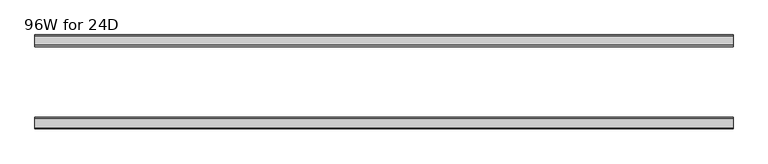
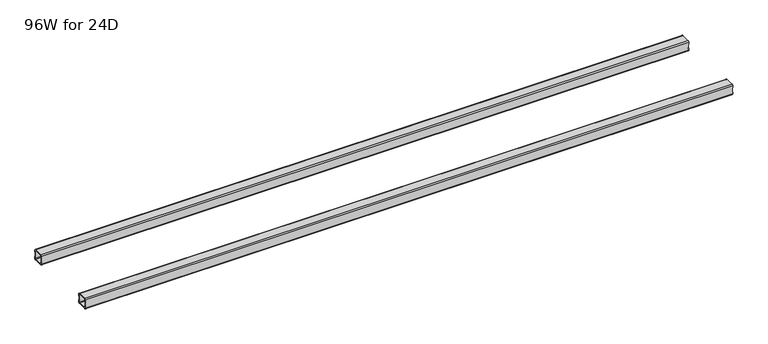
"""IFC4 building model written with IfcOpenShell, lengths in millimetres: furniture geometry, 96W for 24D."""

from ifc_helpers import new_model, si_unit, frame, origin, place, context, project, spatial, polyline, circle_curve, source, transform, mapped, element, save
from ifc_brep_helpers import plane_surface, cylinder_surface, revolved_surface, advanced_brep


def furniture_96w_for_24d_ac88422f(model_context):
    return source(origin(), model_context, "Body", "AdvancedBrep", [
        advanced_brep(
        [(2413.4028, -438.5082, 653.351), (2413.4028, -440.5082, 651.351), (2413.4028, -472.5082, 651.351), (2413.4028, -474.5082, 653.351), (2413.4028, -474.5082, 660.851), (2413.4028, -476.5082, 660.851), (2413.4028, -476.5082, 653.351), (2413.4028, -472.5082, 649.351), (2413.4028, -440.5082, 649.351), (2413.4028, -436.5082, 653.351), (2413.4028, -436.5082, 660.851), (2413.4028, -438.5082, 660.851), (2413.4028, -474.5082, 684.975), (2413.4028, -472.5082, 686.975), (2413.4028, -440.5082, 686.975), (2413.4028, -438.5082, 684.975), (2413.4028, -438.5082, 677.475), (2413.4028, -436.5082, 677.475), (2413.4028, -436.5082, 684.975), (2413.4028, -440.5082, 688.975), (2413.4028, -472.5082, 688.975), (2413.4028, -476.5082, 684.975), (2413.4028, -476.5082, 677.475), (2413.4028, -474.5082, 677.475), (22.0, -438.5082, 684.975), (22.0, -440.5082, 686.975), (22.0, -472.5082, 686.975), (22.0, -474.5082, 684.975), (22.0, -474.5082, 677.475), (22.0, -476.5082, 677.475), (22.0, -476.5082, 684.975), (22.0, -472.5082, 688.975), (22.0, -440.5082, 688.975), (22.0, -436.5082, 684.975), (22.0, -436.5082, 677.475), (22.0, -438.5082, 677.475), (22.0, -474.5082, 653.351), (22.0, -472.5082, 651.351), (22.0, -440.5082, 651.351), (22.0, -438.5082, 653.351), (22.0, -438.5082, 660.851), (22.0, -436.5082, 660.851), (22.0, -436.5082, 653.351), (22.0, -440.5082, 649.351), (22.0, -472.5082, 649.351), (22.0, -476.5082, 653.351), (22.0, -476.5082, 660.851), (22.0, -474.5082, 660.851), (23.365, -474.5082, 660.851), (24.0, -474.5082, 661.486), (24.0, -474.5082, 676.84), (23.365, -474.5082, 677.475), (2412.0378, -474.5082, 677.475), (2411.4028, -474.5082, 676.84), (2411.4028, -474.5082, 661.486), (2412.0378, -474.5082, 660.851), (2412.0378, -438.5082, 660.851), (2411.4028, -438.5082, 661.486), (2411.4028, -438.5082, 676.84), (2412.0378, -438.5082, 677.475), (23.365, -438.5082, 677.475), (24.0, -438.5082, 676.84), (24.0, -438.5082, 661.486), (23.365, -438.5082, 660.851), (23.365, -476.5082, 677.475), (24.0, -476.5082, 676.84), (24.0, -476.5082, 661.486), (23.365, -476.5082, 660.851), (2412.0378, -476.5082, 660.851), (2411.4028, -476.5082, 661.486), (2411.4028, -476.5082, 676.84), (2412.0378, -476.5082, 677.475), (2412.0378, -436.5082, 677.475), (2411.4028, -436.5082, 676.84), (2411.4028, -436.5082, 661.486), (2412.0378, -436.5082, 660.851), (23.365, -436.5082, 660.851), (24.0, -436.5082, 661.486), (24.0, -436.5082, 676.84), (23.365, -436.5082, 677.475)],
        [
            (0, 1, circle_curve(frame((2413.4028, -440.5082, 653.351), z_axis=(-1.0, 0.0, 0.0), x_axis=(0.0, 1.0, 0.0)), 2.0)),
            (1, 2),
            (2, 3, circle_curve(frame((2413.4028, -472.5082, 653.351), z_axis=(-1.0, 0.0, 0.0), x_axis=(0.0, 1.0, 0.0)), 2.0)),
            (3, 4),
            (4, 5),
            (5, 6),
            (6, 7, circle_curve(frame((2413.4028, -472.5082, 653.351), z_axis=(1.0, 0.0, 0.0), x_axis=(0.0, 1.0, 0.0)), 4.0)),
            (7, 8),
            (8, 9, circle_curve(frame((2413.4028, -440.5082, 653.351), z_axis=(1.0, 0.0, 0.0), x_axis=(0.0, 1.0, 0.0)), 4.0)),
            (9, 10),
            (10, 11),
            (11, 0),
            (12, 13, circle_curve(frame((2413.4028, -472.5082, 684.975), z_axis=(-1.0, 0.0, 0.0), x_axis=(0.0, 1.0, 0.0)), 2.0)),
            (13, 14),
            (14, 15, circle_curve(frame((2413.4028, -440.5082, 684.975), z_axis=(-1.0, 0.0, 0.0), x_axis=(0.0, 1.0, 0.0)), 2.0)),
            (15, 16),
            (16, 17),
            (17, 18),
            (18, 19, circle_curve(frame((2413.4028, -440.5082, 684.975), z_axis=(1.0, 0.0, 0.0), x_axis=(0.0, 1.0, 0.0)), 4.0)),
            (19, 20),
            (20, 21, circle_curve(frame((2413.4028, -472.5082, 684.975), z_axis=(1.0, 0.0, 0.0), x_axis=(0.0, 1.0, 0.0)), 4.0)),
            (21, 22),
            (22, 23),
            (23, 12),
            (24, 25, circle_curve(frame((22.0, -440.5082, 684.975), z_axis=(1.0, 0.0, 0.0), x_axis=(0.0, 1.0, 0.0)), 2.0)),
            (25, 26),
            (26, 27, circle_curve(frame((22.0, -472.5082, 684.975), z_axis=(1.0, 0.0, 0.0), x_axis=(0.0, 1.0, 0.0)), 2.0)),
            (27, 28),
            (28, 29),
            (29, 30),
            (30, 31, circle_curve(frame((22.0, -472.5082, 684.975), z_axis=(-1.0, 0.0, 0.0), x_axis=(0.0, 1.0, 0.0)), 4.0)),
            (31, 32),
            (32, 33, circle_curve(frame((22.0, -440.5082, 684.975), z_axis=(-1.0, 0.0, 0.0), x_axis=(0.0, 1.0, 0.0)), 4.0)),
            (33, 34),
            (34, 35),
            (35, 24),
            (36, 37, circle_curve(frame((22.0, -472.5082, 653.351), z_axis=(1.0, 0.0, 0.0), x_axis=(0.0, 1.0, 0.0)), 2.0)),
            (37, 38),
            (38, 39, circle_curve(frame((22.0, -440.5082, 653.351), z_axis=(1.0, 0.0, 0.0), x_axis=(0.0, 1.0, 0.0)), 2.0)),
            (39, 40),
            (40, 41),
            (41, 42),
            (42, 43, circle_curve(frame((22.0, -440.5082, 653.351), z_axis=(-1.0, 0.0, 0.0), x_axis=(0.0, 1.0, 0.0)), 4.0)),
            (43, 44),
            (44, 45, circle_curve(frame((22.0, -472.5082, 653.351), z_axis=(-1.0, 0.0, 0.0), x_axis=(0.0, 1.0, 0.0)), 4.0)),
            (45, 46),
            (46, 47),
            (47, 36),
            (0, 39),
            (38, 1),
            (37, 2),
            (36, 3),
            (47, 48),
            (48, 49, circle_curve(frame((23.365, -474.5082, 661.486), z_axis=(0.0, -1.0, 0.0), x_axis=(1.0, 0.0, 0.0)), 0.635)),
            (49, 50),
            (50, 51, circle_curve(frame((23.365, -474.5082, 676.84), z_axis=(0.0, -1.0, 0.0), x_axis=(1.0, 0.0, 0.0)), 0.635)),
            (51, 28),
            (27, 12),
            (23, 52),
            (52, 53, circle_curve(frame((2412.0378, -474.5082, 676.84), z_axis=(0.0, -1.0, 0.0), x_axis=(1.0, 0.0, 0.0)), 0.635)),
            (53, 54),
            (54, 55, circle_curve(frame((2412.0378, -474.5082, 661.486), z_axis=(0.0, -1.0, 0.0), x_axis=(1.0, 0.0, 0.0)), 0.635)),
            (55, 4),
            (26, 13),
            (25, 14),
            (24, 15),
            (11, 56),
            (56, 57, circle_curve(frame((2412.0378, -438.5082, 661.486), z_axis=(0.0, 1.0, 0.0), x_axis=(1.0, 0.0, 0.0)), 0.635)),
            (57, 58),
            (58, 59, circle_curve(frame((2412.0378, -438.5082, 676.84), z_axis=(0.0, 1.0, 0.0), x_axis=(1.0, 0.0, 0.0)), 0.635)),
            (59, 16),
            (35, 60),
            (60, 61, circle_curve(frame((23.365, -438.5082, 676.84), z_axis=(0.0, 1.0, 0.0), x_axis=(1.0, 0.0, 0.0)), 0.635)),
            (61, 62),
            (62, 63, circle_curve(frame((23.365, -438.5082, 661.486), z_axis=(0.0, 1.0, 0.0), x_axis=(1.0, 0.0, 0.0)), 0.635)),
            (63, 40),
            (18, 33),
            (32, 19),
            (31, 20),
            (30, 21),
            (29, 64),
            (64, 65, circle_curve(frame((23.365, -476.5082, 676.84), z_axis=(0.0, 1.0, 0.0), x_axis=(1.0, 0.0, 0.0)), 0.635)),
            (65, 66),
            (66, 67, circle_curve(frame((23.365, -476.5082, 661.486), z_axis=(0.0, 1.0, 0.0), x_axis=(1.0, 0.0, 0.0)), 0.635)),
            (67, 46),
            (45, 6),
            (5, 68),
            (68, 69, circle_curve(frame((2412.0378, -476.5082, 661.486), z_axis=(0.0, 1.0, 0.0), x_axis=(1.0, 0.0, 0.0)), 0.635)),
            (69, 70),
            (70, 71, circle_curve(frame((2412.0378, -476.5082, 676.84), z_axis=(0.0, 1.0, 0.0), x_axis=(1.0, 0.0, 0.0)), 0.635)),
            (71, 22),
            (44, 7),
            (43, 8),
            (42, 9),
            (17, 72),
            (72, 73, circle_curve(frame((2412.0378, -436.5082, 676.84), z_axis=(0.0, -1.0, 0.0), x_axis=(1.0, 0.0, 0.0)), 0.635)),
            (73, 74),
            (74, 75, circle_curve(frame((2412.0378, -436.5082, 661.486), z_axis=(0.0, -1.0, 0.0), x_axis=(1.0, 0.0, 0.0)), 0.635)),
            (75, 10),
            (41, 76),
            (76, 77, circle_curve(frame((23.365, -436.5082, 661.486), z_axis=(0.0, -1.0, 0.0), x_axis=(1.0, 0.0, 0.0)), 0.635)),
            (77, 78),
            (78, 79, circle_curve(frame((23.365, -436.5082, 676.84), z_axis=(0.0, -1.0, 0.0), x_axis=(1.0, 0.0, 0.0)), 0.635)),
            (79, 34),
            (71, 52),
            (59, 72),
            (70, 53),
            (58, 73),
            (69, 54),
            (57, 74),
            (68, 55),
            (56, 75),
            (51, 64),
            (79, 60),
            (67, 48),
            (63, 76),
            (66, 49),
            (62, 77),
            (65, 50),
            (61, 78),
        ],
        [
            plane_surface(frame((2413.4028, -438.5082, 653.351), z_axis=(1.0, 0.0, 0.0), x_axis=(0.0, 0.0, -1.0))),
            plane_surface(frame((22.0, -438.5082, 653.351), z_axis=(-1.0, 0.0, 0.0), x_axis=(0.0, 0.0, 1.0))),
            revolved_surface(polyline([(22.0, -438.5082, 653.351), (2413.4028, -438.5082, 653.351)]), (22.0, -440.5082, 653.351), (-1.0, 0.0, 0.0)),
            plane_surface(frame((2413.4028, -440.5082, 651.351), z_axis=(0.0, -4.868672132139401e-12, 1.0), x_axis=(-1.0, 0.0, 0.0))),
            revolved_surface(polyline([(22.0, -470.5082, 653.351), (2413.4028, -470.5082, 653.351)]), (22.0, -472.5082, 653.351), (-1.0, 0.0, 0.0)),
            plane_surface(frame((2413.4028, -474.5082, 653.351), z_axis=(0.0, 1.0, 0.0), x_axis=(-1.0, 0.0, 0.0))),
            revolved_surface(polyline([(22.0, -470.5082, 684.975), (2413.4028, -470.5082, 684.975)]), (22.0, -472.5082, 684.975), (-1.0, 0.0, 0.0)),
            plane_surface(frame((2413.4028, -472.5082, 686.975), z_axis=(0.0, 0.0, -1.0), x_axis=(-1.0, 0.0, 0.0))),
            revolved_surface(polyline([(22.0, -438.5082, 684.975), (2413.4028, -438.5082, 684.975)]), (22.0, -440.5082, 684.975), (-1.0, 0.0, 0.0)),
            plane_surface(frame((2413.4028, -438.5082, 684.975), z_axis=(0.0, -1.0, 0.0), x_axis=(-1.0, 0.0, 0.0))),
            cylinder_surface(frame((0.0, -440.5082, 684.975), z_axis=(1.0, 0.0, 0.0), x_axis=(0.0, 1.0, 0.0)), 4.0),
            plane_surface(frame((2413.4028, -440.5082, 688.975), z_axis=(0.0, 0.0, 1.0), x_axis=(-1.0, 0.0, 0.0))),
            cylinder_surface(frame((0.0, -472.5082, 684.975), z_axis=(1.0, 0.0, 0.0), x_axis=(0.0, 1.0, 0.0)), 4.0),
            plane_surface(frame((2413.4028, -476.5082, 684.975), z_axis=(0.0, -1.0, 0.0), x_axis=(-1.0, 0.0, 0.0))),
            cylinder_surface(frame((0.0, -472.5082, 653.351), z_axis=(1.0, 0.0, 0.0), x_axis=(0.0, 1.0, 0.0)), 4.0),
            plane_surface(frame((2413.4028, -472.5082, 649.351), z_axis=(0.0, 0.0, -1.0), x_axis=(-1.0, 0.0, 0.0))),
            cylinder_surface(frame((0.0, -440.5082, 653.351), z_axis=(1.0, 0.0, 0.0), x_axis=(0.0, 1.0, 0.0)), 4.0),
            plane_surface(frame((2413.4028, -436.5082, 653.351), z_axis=(0.0, 1.0, -4.917998717621574e-12), x_axis=(-1.0, 0.0, 0.0))),
            plane_surface(frame((2413.4028, -476.5082, 677.475), z_axis=(1.130465684452016e-11, 0.0, -1.0), x_axis=(0.0, 1.0, 0.0))),
            revolved_surface(polyline([(2412.6728000000003, -476.5082, 676.84), (2412.6728000000003, -474.5082, 676.84)]), (2412.0378, -436.5082, 676.84), (0.0, -1.0, 0.0)),
            revolved_surface(polyline([(2412.6728000000003, -438.5082, 676.84), (2412.6728000000003, -436.5082, 676.84)]), (2412.0378, -436.5082, 676.84), (0.0, -1.0, 0.0)),
            plane_surface(frame((2411.4028, -476.5082, 676.84), z_axis=(1.0, 0.0, 0.0), x_axis=(0.0, 1.0, 0.0))),
            revolved_surface(polyline([(2412.6728000000003, -476.5082, 661.486), (2412.6728000000003, -474.5082, 661.486)]), (2412.0378, -436.5082, 661.486), (0.0, -1.0, 0.0)),
            revolved_surface(polyline([(2412.6728000000003, -438.5082, 661.486), (2412.6728000000003, -436.5082, 661.486)]), (2412.0378, -436.5082, 661.486), (0.0, -1.0, 0.0)),
            plane_surface(frame((2412.0378, -476.5082, 660.851), z_axis=(0.0, 0.0, 1.0), x_axis=(0.0, 1.0, 0.0))),
            plane_surface(frame((23.365, -476.5082, 677.475), z_axis=(0.0, 0.0, -1.0), x_axis=(0.0, 1.0, 0.0))),
            plane_surface(frame((22.0, -476.5082, 660.851), z_axis=(-1.1502984157403295e-11, 0.0, 1.0), x_axis=(0.0, 1.0, 0.0))),
            revolved_surface(polyline([(24.0, -476.5082, 661.486), (24.0, -474.5082, 661.486)]), (23.365, -436.5082, 661.486), (0.0, -1.0, 0.0)),
            revolved_surface(polyline([(24.0, -438.5082, 661.486), (24.0, -436.5082, 661.486)]), (23.365, -436.5082, 661.486), (0.0, -1.0, 0.0)),
            plane_surface(frame((24.0, -476.5082, 661.486), z_axis=(-1.0, 0.0, 0.0), x_axis=(0.0, 1.0, 0.0))),
            revolved_surface(polyline([(24.0, -476.5082, 676.84), (24.0, -474.5082, 676.84)]), (23.365, -436.5082, 676.84), (0.0, -1.0, 0.0)),
            revolved_surface(polyline([(24.0, -438.5082, 676.84), (24.0, -436.5082, 676.84)]), (23.365, -436.5082, 676.84), (0.0, -1.0, 0.0)),
        ],
        [
            (0, [[1, 2, 3, 4, 5, 6, 7, 8, 9, 10, 11, 12]]),
            (0, [[13, 14, 15, 16, 17, 18, 19, 20, 21, 22, 23, 24]]),
            (1, [[25, 26, 27, 28, 29, 30, 31, 32, 33, 34, 35, 36]]),
            (1, [[37, 38, 39, 40, 41, 42, 43, 44, 45, 46, 47, 48]]),
            (2, [[-1, 49, -39, 50]]),
            (3, [[-2, -50, -38, 51]]),
            (4, [[-3, -51, -37, 52]]),
            (5, [[-52, -48, 53, 54, 55, 56, 57, -28, 58, -24, 59, 60, 61, 62, 63, -4]]),
            (6, [[-13, -58, -27, 64]]),
            (7, [[-14, -64, -26, 65]]),
            (8, [[-15, -65, -25, 66]]),
            (9, [[-49, -12, 67, 68, 69, 70, 71, -16, -66, -36, 72, 73, 74, 75, 76, -40]]),
            (10, [[-19, 77, -33, 78]]),
            (11, [[-20, -78, -32, 79]]),
            (12, [[-21, -79, -31, 80]]),
            (13, [[-80, -30, 81, 82, 83, 84, 85, -46, 86, -6, 87, 88, 89, 90, 91, -22]]),
            (14, [[-7, -86, -45, 92]]),
            (15, [[-8, -92, -44, 93]]),
            (16, [[-9, -93, -43, 94]]),
            (17, [[-77, -18, 95, 96, 97, 98, 99, -10, -94, -42, 100, 101, 102, 103, 104, -34]]),
            (18, [[105, -59, -23, -91]]),
            (18, [[106, -95, -17, -71]]),
            (19, [[-105, -90, 107, -60]]),
            (20, [[-106, -70, 108, -96]]),
            (21, [[-107, -89, 109, -61]]),
            (21, [[-108, -69, 110, -97]]),
            (22, [[-109, -88, 111, -62]]),
            (23, [[-110, -68, 112, -98]]),
            (24, [[-111, -87, -5, -63]]),
            (24, [[-112, -67, -11, -99]]),
            (25, [[113, -81, -29, -57]]),
            (25, [[114, -72, -35, -104]]),
            (26, [[115, -53, -47, -85]]),
            (26, [[116, -100, -41, -76]]),
            (27, [[-115, -84, 117, -54]]),
            (28, [[-116, -75, 118, -101]]),
            (29, [[-117, -83, 119, -55]]),
            (29, [[-118, -74, 120, -102]]),
            (30, [[-113, -56, -119, -82]]),
            (31, [[-114, -103, -120, -73]]),
        ],
    ),
        advanced_brep(
        [(2413.4028, -192.9996202, 684.975), (2413.4028, -190.9996202, 686.975), (2413.4028, -159.0003798, 686.975), (2413.4028, -157.0003798, 684.975), (2413.4028, -157.0003798, 677.475), (2413.4028, -155.0003798, 677.475), (2413.4028, -155.0003798, 684.975), (2413.4028, -159.0003798, 688.975), (2413.4028, -190.9996202, 688.975), (2413.4028, -194.9996202, 684.975), (2413.4028, -194.9996202, 677.475), (2413.4028, -192.9996202, 677.475), (2413.4028, -157.0003798, 653.351), (2413.4028, -159.0003798, 651.351), (2413.4028, -190.9996202, 651.351), (2413.4028, -192.9996202, 653.351), (2413.4028, -192.9996202, 660.851), (2413.4028, -194.9996202, 660.851), (2413.4028, -194.9996202, 653.351), (2413.4028, -190.9996202, 649.351), (2413.4028, -159.0003798, 649.351), (2413.4028, -155.0003798, 653.351), (2413.4028, -155.0003798, 660.851), (2413.4028, -157.0003798, 660.851), (22.0, -192.9996202, 653.351), (22.0, -190.9996202, 651.351), (22.0, -159.0003798, 651.351), (22.0, -157.0003798, 653.351), (22.0, -157.0003798, 660.851), (22.0, -155.0003798, 660.851), (22.0, -155.0003798, 653.351), (22.0, -159.0003798, 649.351), (22.0, -190.9996202, 649.351), (22.0, -194.9996202, 653.351), (22.0, -194.9996202, 660.851), (22.0, -192.9996202, 660.851), (22.0, -157.0003798, 684.975), (22.0, -159.0003798, 686.975), (22.0, -190.9996202, 686.975), (22.0, -192.9996202, 684.975), (22.0, -192.9996202, 677.475), (22.0, -194.9996202, 677.475), (22.0, -194.9996202, 684.975), (22.0, -190.9996202, 688.975), (22.0, -159.0003798, 688.975), (22.0, -155.0003798, 684.975), (22.0, -155.0003798, 677.475), (22.0, -157.0003798, 677.475), (2412.0378, -157.0003798, 660.851), (2411.4028, -157.0003798, 661.486), (2411.4028, -157.0003798, 676.84), (2412.0378, -157.0003798, 677.475), (23.365, -157.0003798, 677.475), (24.0, -157.0003798, 676.84), (24.0, -157.0003798, 661.486), (23.365, -157.0003798, 660.851), (23.365, -192.9996202, 660.851), (24.0, -192.9996202, 661.486), (24.0, -192.9996202, 676.84), (23.365, -192.9996202, 677.475), (2412.0378, -192.9996202, 677.475), (2411.4028, -192.9996202, 676.84), (2411.4028, -192.9996202, 661.486), (2412.0378, -192.9996202, 660.851), (2412.0378, -155.0003798, 677.475), (2411.4028, -155.0003798, 676.84), (2411.4028, -155.0003798, 661.486), (2412.0378, -155.0003798, 660.851), (23.365, -155.0003798, 660.851), (24.0, -155.0003798, 661.486), (24.0, -155.0003798, 676.84), (23.365, -155.0003798, 677.475), (23.365, -194.9996202, 677.475), (24.0, -194.9996202, 676.84), (24.0, -194.9996202, 661.486), (23.365, -194.9996202, 660.851), (2412.0378, -194.9996202, 660.851), (2411.4028, -194.9996202, 661.486), (2411.4028, -194.9996202, 676.84), (2412.0378, -194.9996202, 677.475)],
        [
            (0, 1, circle_curve(frame((2413.4028, -190.9996202, 684.975), z_axis=(-1.0, 0.0, 0.0), x_axis=(0.0, -1.0, 0.0)), 2.0)),
            (1, 2),
            (2, 3, circle_curve(frame((2413.4028, -159.0003798, 684.975), z_axis=(-1.0, 0.0, 0.0), x_axis=(0.0, -1.0, 0.0)), 2.0)),
            (3, 4),
            (4, 5),
            (5, 6),
            (6, 7, circle_curve(frame((2413.4028, -159.0003798, 684.975), z_axis=(1.0, 0.0, 0.0), x_axis=(0.0, -1.0, 0.0)), 4.0)),
            (7, 8),
            (8, 9, circle_curve(frame((2413.4028, -190.9996202, 684.975), z_axis=(1.0, 0.0, 0.0), x_axis=(0.0, -1.0, 0.0)), 4.0)),
            (9, 10),
            (10, 11),
            (11, 0),
            (12, 13, circle_curve(frame((2413.4028, -159.0003798, 653.351), z_axis=(-1.0, 0.0, 0.0), x_axis=(0.0, -1.0, 0.0)), 2.0)),
            (13, 14),
            (14, 15, circle_curve(frame((2413.4028, -190.9996202, 653.351), z_axis=(-1.0, 0.0, 0.0), x_axis=(0.0, -1.0, 0.0)), 2.0)),
            (15, 16),
            (16, 17),
            (17, 18),
            (18, 19, circle_curve(frame((2413.4028, -190.9996202, 653.351), z_axis=(1.0, 0.0, 0.0), x_axis=(0.0, -1.0, 0.0)), 4.0)),
            (19, 20),
            (20, 21, circle_curve(frame((2413.4028, -159.0003798, 653.351), z_axis=(1.0, 0.0, 0.0), x_axis=(0.0, -1.0, 0.0)), 4.0)),
            (21, 22),
            (22, 23),
            (23, 12),
            (24, 25, circle_curve(frame((22.0, -190.9996202, 653.351), z_axis=(1.0, 0.0, 0.0), x_axis=(0.0, -1.0, 0.0)), 2.0)),
            (25, 26),
            (26, 27, circle_curve(frame((22.0, -159.0003798, 653.351), z_axis=(1.0, 0.0, 0.0), x_axis=(0.0, -1.0, 0.0)), 2.0)),
            (27, 28),
            (28, 29),
            (29, 30),
            (30, 31, circle_curve(frame((22.0, -159.0003798, 653.351), z_axis=(-1.0, 0.0, 0.0), x_axis=(0.0, -1.0, 0.0)), 4.0)),
            (31, 32),
            (32, 33, circle_curve(frame((22.0, -190.9996202, 653.351), z_axis=(-1.0, 0.0, 0.0), x_axis=(0.0, -1.0, 0.0)), 4.0)),
            (33, 34),
            (34, 35),
            (35, 24),
            (36, 37, circle_curve(frame((22.0, -159.0003798, 684.975), z_axis=(1.0, 0.0, 0.0), x_axis=(0.0, -1.0, 0.0)), 2.0)),
            (37, 38),
            (38, 39, circle_curve(frame((22.0, -190.9996202, 684.975), z_axis=(1.0, 0.0, 0.0), x_axis=(0.0, -1.0, 0.0)), 2.0)),
            (39, 40),
            (40, 41),
            (41, 42),
            (42, 43, circle_curve(frame((22.0, -190.9996202, 684.975), z_axis=(-1.0, 0.0, 0.0), x_axis=(0.0, -1.0, 0.0)), 4.0)),
            (43, 44),
            (44, 45, circle_curve(frame((22.0, -159.0003798, 684.975), z_axis=(-1.0, 0.0, 0.0), x_axis=(0.0, -1.0, 0.0)), 4.0)),
            (45, 46),
            (46, 47),
            (47, 36),
            (14, 25),
            (24, 15),
            (13, 26),
            (12, 27),
            (23, 48),
            (48, 49, circle_curve(frame((2412.0378, -157.0003798, 661.486), z_axis=(0.0, 1.0, 0.0), x_axis=(1.0, 0.0, 0.0)), 0.635)),
            (49, 50),
            (50, 51, circle_curve(frame((2412.0378, -157.0003798, 676.84), z_axis=(0.0, 1.0, 0.0), x_axis=(1.0, 0.0, 0.0)), 0.635)),
            (51, 4),
            (3, 36),
            (47, 52),
            (52, 53, circle_curve(frame((23.365, -157.0003798, 676.84), z_axis=(0.0, 1.0, 0.0), x_axis=(1.0, 0.0, 0.0)), 0.635)),
            (53, 54),
            (54, 55, circle_curve(frame((23.365, -157.0003798, 661.486), z_axis=(0.0, 1.0, 0.0), x_axis=(1.0, 0.0, 0.0)), 0.635)),
            (55, 28),
            (2, 37),
            (1, 38),
            (0, 39),
            (35, 56),
            (56, 57, circle_curve(frame((23.365, -192.9996202, 661.486), z_axis=(0.0, -1.0, 0.0), x_axis=(1.0, 0.0, 0.0)), 0.635)),
            (57, 58),
            (58, 59, circle_curve(frame((23.365, -192.9996202, 676.84), z_axis=(0.0, -1.0, 0.0), x_axis=(1.0, 0.0, 0.0)), 0.635)),
            (59, 40),
            (11, 60),
            (60, 61, circle_curve(frame((2412.0378, -192.9996202, 676.84), z_axis=(0.0, -1.0, 0.0), x_axis=(1.0, 0.0, 0.0)), 0.635)),
            (61, 62),
            (62, 63, circle_curve(frame((2412.0378, -192.9996202, 661.486), z_axis=(0.0, -1.0, 0.0), x_axis=(1.0, 0.0, 0.0)), 0.635)),
            (63, 16),
            (8, 43),
            (42, 9),
            (7, 44),
            (6, 45),
            (5, 64),
            (64, 65, circle_curve(frame((2412.0378, -155.0003798, 676.84), z_axis=(0.0, -1.0, 0.0), x_axis=(1.0, 0.0, 0.0)), 0.635)),
            (65, 66),
            (66, 67, circle_curve(frame((2412.0378, -155.0003798, 661.486), z_axis=(0.0, -1.0, 0.0), x_axis=(1.0, 0.0, 0.0)), 0.635)),
            (67, 22),
            (21, 30),
            (29, 68),
            (68, 69, circle_curve(frame((23.365, -155.0003798, 661.486), z_axis=(0.0, -1.0, 0.0), x_axis=(1.0, 0.0, 0.0)), 0.635)),
            (69, 70),
            (70, 71, circle_curve(frame((23.365, -155.0003798, 676.84), z_axis=(0.0, -1.0, 0.0), x_axis=(1.0, 0.0, 0.0)), 0.635)),
            (71, 46),
            (20, 31),
            (19, 32),
            (18, 33),
            (41, 72),
            (72, 73, circle_curve(frame((23.365, -194.9996202, 676.84), z_axis=(0.0, 1.0, 0.0), x_axis=(1.0, 0.0, 0.0)), 0.635)),
            (73, 74),
            (74, 75, circle_curve(frame((23.365, -194.9996202, 661.486), z_axis=(0.0, 1.0, 0.0), x_axis=(1.0, 0.0, 0.0)), 0.635)),
            (75, 34),
            (17, 76),
            (76, 77, circle_curve(frame((2412.0378, -194.9996202, 661.486), z_axis=(0.0, 1.0, 0.0), x_axis=(1.0, 0.0, 0.0)), 0.635)),
            (77, 78),
            (78, 79, circle_curve(frame((2412.0378, -194.9996202, 676.84), z_axis=(0.0, 1.0, 0.0), x_axis=(1.0, 0.0, 0.0)), 0.635)),
            (79, 10),
            (51, 64),
            (79, 60),
            (50, 65),
            (78, 61),
            (49, 66),
            (77, 62),
            (48, 67),
            (76, 63),
            (71, 52),
            (59, 72),
            (55, 68),
            (75, 56),
            (54, 69),
            (74, 57),
            (53, 70),
            (73, 58),
        ],
        [
            plane_surface(frame((2413.4028, -192.9996202, 684.975), z_axis=(1.0, 0.0, 0.0), x_axis=(0.0, 0.0, 1.0))),
            plane_surface(frame((22.0, -192.9996202, 684.975), z_axis=(-1.0, 0.0, 0.0), x_axis=(0.0, 0.0, -1.0))),
            revolved_surface(polyline([(22.0, -192.9996202, 653.351), (2413.4028, -192.9996202, 653.351)]), (22.0, -190.9996202, 653.351), (-1.0, 0.0, 0.0)),
            plane_surface(frame((2413.4028, -159.0003798, 651.351), z_axis=(0.0, 0.0, 1.0), x_axis=(-1.0, 0.0, 0.0))),
            revolved_surface(polyline([(22.0, -161.0003798, 653.351), (2413.4028, -161.0003798, 653.351)]), (22.0, -159.0003798, 653.351), (-1.0, 0.0, 0.0)),
            plane_surface(frame((2413.4028, -157.0003798, 684.975), z_axis=(0.0, -1.0, 0.0), x_axis=(-1.0, 0.0, 0.0))),
            revolved_surface(polyline([(22.0, -161.0003798, 684.975), (2413.4028, -161.0003798, 684.975)]), (22.0, -159.0003798, 684.975), (-1.0, 0.0, 0.0)),
            plane_surface(frame((2413.4028, -190.9996202, 686.975), z_axis=(0.0, 0.0, -1.0), x_axis=(-1.0, 0.0, 0.0))),
            revolved_surface(polyline([(22.0, -192.9996202, 684.975), (2413.4028, -192.9996202, 684.975)]), (22.0, -190.9996202, 684.975), (-1.0, 0.0, 0.0)),
            plane_surface(frame((2413.4028, -192.9996202, 653.351), z_axis=(0.0, 1.0, 0.0), x_axis=(-1.0, 0.0, 0.0))),
            cylinder_surface(frame((0.0, -190.9996202, 684.975), z_axis=(1.0, 0.0, 0.0), x_axis=(0.0, -1.0, 0.0)), 4.0),
            plane_surface(frame((2413.4028, -159.0003798, 688.975), z_axis=(0.0, 0.0, 1.0), x_axis=(-1.0, 0.0, 0.0))),
            cylinder_surface(frame((0.0, -159.0003798, 684.975), z_axis=(1.0, 0.0, 0.0), x_axis=(0.0, -1.0, 0.0)), 4.0),
            plane_surface(frame((2413.4028, -155.0003798, 653.351), z_axis=(0.0, 1.0, 0.0), x_axis=(-1.0, 0.0, 0.0))),
            cylinder_surface(frame((0.0, -159.0003798, 653.351), z_axis=(1.0, 0.0, 0.0), x_axis=(0.0, -1.0, 0.0)), 4.0),
            plane_surface(frame((2413.4028, -190.9996202, 649.351), z_axis=(0.0, 0.0, -1.0), x_axis=(-1.0, 0.0, 0.0))),
            cylinder_surface(frame((0.0, -190.9996202, 653.351), z_axis=(1.0, 0.0, 0.0), x_axis=(0.0, -1.0, 0.0)), 4.0),
            plane_surface(frame((2413.4028, -194.9996202, 684.975), z_axis=(0.0, -1.0, 0.0), x_axis=(-1.0, 0.0, 0.0))),
            plane_surface(frame((2412.0378, -155.0003798, 677.475), z_axis=(-8.468576266924131e-11, 0.0, -1.0), x_axis=(0.0, -1.0, 0.0))),
            revolved_surface(polyline([(2412.6728000000003, -155.0003798, 676.84), (2412.6728000000003, -157.0003798, 676.84)]), (2412.0378, -194.9996202, 676.84), (0.0, 1.0, 0.0)),
            revolved_surface(polyline([(2412.6728000000003, -192.9996202, 676.84), (2412.6728000000003, -194.9996202, 676.84)]), (2412.0378, -194.9996202, 676.84), (0.0, 1.0, 0.0)),
            plane_surface(frame((2411.4028, -155.0003798, 661.486), z_axis=(1.0, 0.0, 6.100560549954068e-12), x_axis=(0.0, -1.0, 0.0))),
            revolved_surface(polyline([(2412.6728000000003, -155.0003798, 661.486), (2412.6728000000003, -157.0003798, 661.486)]), (2412.0378, -194.9996202, 661.486), (0.0, 1.0, 0.0)),
            revolved_surface(polyline([(2412.6728000000003, -192.9996202, 661.486), (2412.6728000000003, -194.9996202, 661.486)]), (2412.0378, -194.9996202, 661.486), (0.0, 1.0, 0.0)),
            plane_surface(frame((2413.4028, -155.0003798, 660.851), z_axis=(0.0, 0.0, 1.0), x_axis=(0.0, -1.0, 0.0))),
            plane_surface(frame((22.0, -155.0003798, 677.475), z_axis=(0.0, 0.0, -1.0), x_axis=(0.0, -1.0, 0.0))),
            plane_surface(frame((23.365, -155.0003798, 660.851), z_axis=(-2.8559133082148777e-11, 0.0, 1.0), x_axis=(0.0, -1.0, 0.0))),
            revolved_surface(polyline([(24.0, -155.0003798, 661.486), (24.0, -157.0003798, 661.486)]), (23.365, -194.9996202, 661.486), (0.0, 1.0, 0.0)),
            revolved_surface(polyline([(24.0, -192.9996202, 661.486), (24.0, -194.9996202, 661.486)]), (23.365, -194.9996202, 661.486), (0.0, 1.0, 0.0)),
            plane_surface(frame((24.0, -155.0003798, 676.84), z_axis=(-1.0, 0.0, 3.414484621396347e-12), x_axis=(0.0, -1.0, 0.0))),
            revolved_surface(polyline([(24.0, -155.0003798, 676.84), (24.0, -157.0003798, 676.84)]), (23.365, -194.9996202, 676.84), (0.0, 1.0, 0.0)),
            revolved_surface(polyline([(24.0, -192.9996202, 676.84), (24.0, -194.9996202, 676.84)]), (23.365, -194.9996202, 676.84), (0.0, 1.0, 0.0)),
        ],
        [
            (0, [[1, 2, 3, 4, 5, 6, 7, 8, 9, 10, 11, 12]]),
            (0, [[13, 14, 15, 16, 17, 18, 19, 20, 21, 22, 23, 24]]),
            (1, [[25, 26, 27, 28, 29, 30, 31, 32, 33, 34, 35, 36]]),
            (1, [[37, 38, 39, 40, 41, 42, 43, 44, 45, 46, 47, 48]]),
            (2, [[-15, 49, -25, 50]]),
            (3, [[-14, 51, -26, -49]]),
            (4, [[-13, 52, -27, -51]]),
            (5, [[-52, -24, 53, 54, 55, 56, 57, -4, 58, -48, 59, 60, 61, 62, 63, -28]]),
            (6, [[-3, 64, -37, -58]]),
            (7, [[-2, 65, -38, -64]]),
            (8, [[-1, 66, -39, -65]]),
            (9, [[-50, -36, 67, 68, 69, 70, 71, -40, -66, -12, 72, 73, 74, 75, 76, -16]]),
            (10, [[-9, 77, -43, 78]]),
            (11, [[-8, 79, -44, -77]]),
            (12, [[-7, 80, -45, -79]]),
            (13, [[-80, -6, 81, 82, 83, 84, 85, -22, 86, -30, 87, 88, 89, 90, 91, -46]]),
            (14, [[-21, 92, -31, -86]]),
            (15, [[-20, 93, -32, -92]]),
            (16, [[-19, 94, -33, -93]]),
            (17, [[-78, -42, 95, 96, 97, 98, 99, -34, -94, -18, 100, 101, 102, 103, 104, -10]]),
            (18, [[105, -81, -5, -57]]),
            (18, [[106, -72, -11, -104]]),
            (19, [[-105, -56, 107, -82]]),
            (20, [[-106, -103, 108, -73]]),
            (21, [[-107, -55, 109, -83]]),
            (21, [[-108, -102, 110, -74]]),
            (22, [[-109, -54, 111, -84]]),
            (23, [[-110, -101, 112, -75]]),
            (24, [[-111, -53, -23, -85]]),
            (24, [[-112, -100, -17, -76]]),
            (25, [[113, -59, -47, -91]]),
            (25, [[114, -95, -41, -71]]),
            (26, [[115, -87, -29, -63]]),
            (26, [[116, -67, -35, -99]]),
            (27, [[-115, -62, 117, -88]]),
            (28, [[-116, -98, 118, -68]]),
            (29, [[-117, -61, 119, -89]]),
            (29, [[-118, -97, 120, -69]]),
            (30, [[-119, -60, -113, -90]]),
            (31, [[-120, -96, -114, -70]]),
        ],
    ),
    ])


if __name__ == "__main__":
    model = new_model("IFC4")
    model_context = context("Model", 3, world=origin())
    ifc_project = project(units=[si_unit("LENGTHUNIT", "METRE", prefix="MILLI")], contexts=[model_context])
    site = spatial("IfcSite", under=ifc_project)
    building = spatial("IfcBuilding", under=site)
    placement = place(None, origin())
    furniture_96w_for_24d_shape = furniture_96w_for_24d_ac88422f(model_context)
    element("IfcFurniture", 1, ObjectType="96W for 24D", at=placement, inside=building, context=model_context, shape_type="MappedRepresentation", body=[
        mapped(furniture_96w_for_24d_shape, transform((0.0, 0.0, 0.0), x_axis=(1.0, 0.0, 0.0), y_axis=(0.0, 1.0, 0.0), z_axis=(0.0, 0.0, 1.0))),
    ])
    save(model, "model.ifc")
